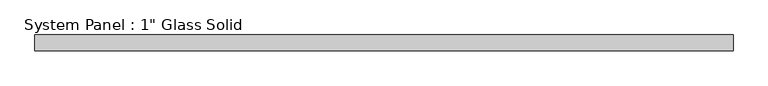
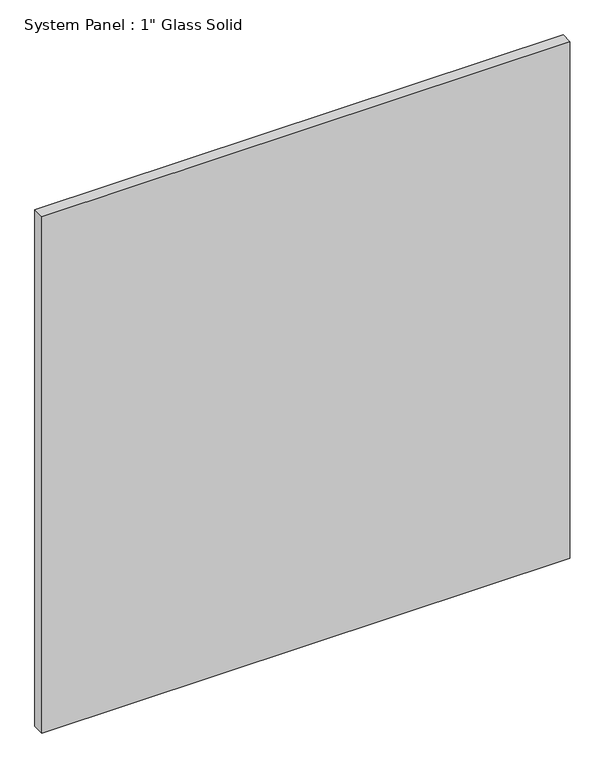
"""IFC4 building model written with IfcOpenShell, lengths in millimetres: plate geometry."""

from ifc_helpers import new_model, si_unit, origin, origin_with_axes, place, context, project, spatial, polyline, outline, extrude, source, transform, mapped, element, save


def plate_8387b366(model_context):
    return source(origin(), model_context, "Body", "SweptSolid", [
        extrude(outline(polyline([(563.5625, -12.7), (-563.5625, -12.7), (-563.5625, 12.7), (563.5625, 12.7), (563.5625, -12.7)])), origin_with_axes(), (0.0, 0.0, 1.0), 1165.2267704),
    ])


if __name__ == "__main__":
    model = new_model("IFC4")
    model_context = context("Model", 3, world=origin())
    ifc_project = project(units=[si_unit("LENGTHUNIT", "METRE", prefix="MILLI")], contexts=[model_context])
    site = spatial("IfcSite", under=ifc_project)
    building = spatial("IfcBuilding", under=site)
    placement = place(None, origin())
    plate_shape = plate_8387b366(model_context)
    element("IfcPlate", 1, ObjectType="System Panel : 1\" Glass Solid", at=placement, inside=building, context=model_context, shape_type="MappedRepresentation", body=[
        mapped(plate_shape, transform((0.0, 0.0, 0.0), x_axis=(1.0, 0.0, 0.0), y_axis=(0.0, 1.0, 0.0), z_axis=(0.0, 0.0, 1.0))),
    ])
    save(model, "model.ifc")
